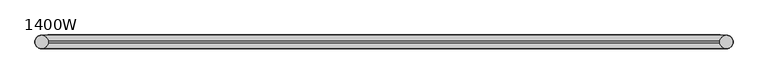
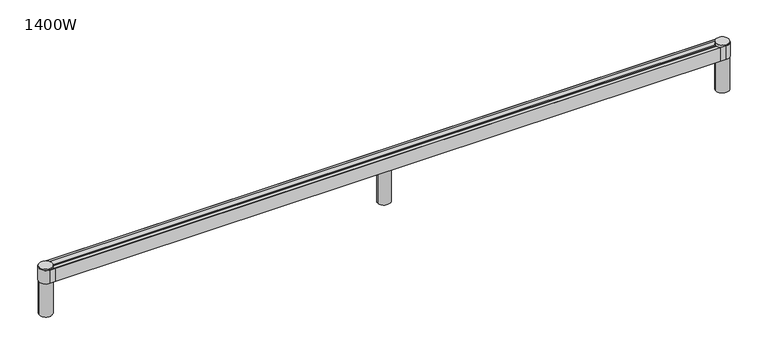
"""IFC4 building model written with IfcOpenShell, lengths in millimetres: furniture geometry, 1400W."""

import ifcopenshell
import ifcopenshell.guid

model = None  # the IFC model being written
_history = None  # IfcOwnerHistory: only IFC2X3 demands one
_inside = {}  # id of a spatial element -> (the spatial element, [elements in it])
_under = {}  # id of a project, library or spatial element -> (it, [spatial elements below it])
_declared = {}  # id of a project -> (the project, [libraries it declares])
_typed = {}  # id of a type object -> (the type object, [elements of that type])
_made_of = {}  # id of a material, layer set ... -> (it, [elements and type objects made of it])


def new_model(schema):
    """Start an empty IFC model of exactly this schema.

    Asked for "IFC4X3", IfcOpenShell would pick the latest addendum, in which some entities
    have other attributes; the version numbers below select the first issue.
    IFC2X3 requires an IfcOwnerHistory on every rooted entity: one is made here for all.
    """
    global model, _history
    if schema == "IFC4X3":
        model = ifcopenshell.file(schema_version=(4, 3, 0, 0))
    else:
        model = ifcopenshell.file(schema=schema)
    _inside.clear()
    _under.clear()
    _declared.clear()
    _typed.clear()
    _made_of.clear()
    _history = None
    if model.schema == "IFC2X3":
        org = make("IfcOrganization", Name="unknown")
        user = make(
            "IfcPersonAndOrganization",
            ThePerson=make("IfcPerson", FamilyName="unknown"),
            TheOrganization=org,
        )
        app = make(
            "IfcApplication",
            ApplicationDeveloper=org,
            Version="unknown",
            ApplicationFullName="unknown",
            ApplicationIdentifier="unknown",
        )
        _history = make(
            "IfcOwnerHistory",
            OwningUser=user,
            OwningApplication=app,
            ChangeAction="ADDED",
            CreationDate=0,
        )
    return model


def make(cls, **values):
    """One entity of the class cls with the attributes given. An attribute that is None is left unset."""
    return model.create_entity(
        cls, **{name: value for name, value in values.items() if value is not None}
    )


def rooted(cls, **values):
    """An entity with a GlobalId (a new one), such as an element, a storey or a relation."""
    return make(cls, GlobalId=ifcopenshell.guid.new(), OwnerHistory=_history, **values)


def si_unit(unit_type, name, prefix=None):
    """IfcSIUnit, for example si_unit("LENGTHUNIT", "METRE", prefix="MILLI")."""
    return make("IfcSIUnit", UnitType=unit_type, Prefix=prefix, Name=name)


def assignment(units):
    """IfcUnitAssignment: the units of a project."""
    return None if units is None else make("IfcUnitAssignment", Units=units)


def point(xyz):
    """IfcCartesianPoint."""
    return None if xyz is None else make("IfcCartesianPoint", Coordinates=xyz)


def direction(xyz):
    """IfcDirection."""
    return None if xyz is None else make("IfcDirection", DirectionRatios=xyz)


def frame(location, z_axis=None, x_axis=None):
    """IfcAxis2Placement3D, a coordinate frame: its origin and axes. An axis left out is left unset."""
    return make(
        "IfcAxis2Placement3D",
        Location=point(location),
        Axis=direction(z_axis),
        RefDirection=direction(x_axis),
    )


def frame_2d(location, x_axis=None):
    """IfcAxis2Placement2D, a coordinate frame in the plane: its origin and x axis."""
    return make(
        "IfcAxis2Placement2D", Location=point(location), RefDirection=direction(x_axis)
    )


def origin():
    """The frame at (0, 0, 0) with its axes left unset."""
    return frame((0.0, 0.0, 0.0))


def place(relative_to, where):
    """IfcLocalPlacement: puts the frame where relative to a parent placement (None: the world)."""
    return make(
        "IfcLocalPlacement", PlacementRelTo=relative_to, RelativePlacement=where
    )


def context(
    kind, dimensions, precision=None, world=None, true_north=None, identifier=None
):
    """IfcGeometricRepresentationContext, for example the 3D "Model" context."""
    return make(
        "IfcGeometricRepresentationContext",
        ContextIdentifier=identifier,
        ContextType=kind,
        CoordinateSpaceDimension=dimensions,
        Precision=precision,
        WorldCoordinateSystem=world,
        TrueNorth=true_north,
    )


def project(units=None, contexts=None):
    """IfcProject with its units and contexts."""
    return rooted(
        "IfcProject",
        Name="project",
        RepresentationContexts=contexts,
        UnitsInContext=assignment(units),
    )


def spatial(cls, under=None, at=None, **own):
    """A site, building, storey or space (cls), placed at a placement, below another one or the project."""
    s = rooted(cls, ObjectPlacement=at, **own)
    if under is not None:
        _under.setdefault(under.id(), (under, []))[1].append(s)
    return s


def polyline(points):
    """IfcPolyline through the points."""
    return make("IfcPolyline", Points=[point(p) for p in points])


def circle_curve(where, radius):
    """IfcCircle in the frame where."""
    return make("IfcCircle", Position=where, Radius=radius)


def trimmed(basis, trim1, trim2, sense, master):
    """IfcTrimmedCurve: the piece of a basis curve between two trims."""
    return make(
        "IfcTrimmedCurve",
        BasisCurve=basis,
        Trim1=trim1,
        Trim2=trim2,
        SenseAgreement=sense,
        MasterRepresentation=master,
    )


def segment(curve, same_sense, transition):
    """IfcCompositeCurveSegment."""
    return make(
        "IfcCompositeCurveSegment",
        Transition=transition,
        SameSense=same_sense,
        ParentCurve=curve,
    )


def composite_curve(segments, self_intersect=None):
    """IfcCompositeCurve: segments joined end to end."""
    return make("IfcCompositeCurve", Segments=segments, SelfIntersect=self_intersect)


def outline(outer, holes=None, kind="AREA"):
    """IfcArbitraryClosedProfileDef: a profile drawn as a closed curve; with holes, ...WithVoids."""
    if holes is None:
        return make("IfcArbitraryClosedProfileDef", ProfileType=kind, OuterCurve=outer)
    return make(
        "IfcArbitraryProfileDefWithVoids",
        ProfileType=kind,
        OuterCurve=outer,
        InnerCurves=holes,
    )


def extrude(swept, where, along, depth):
    """IfcExtrudedAreaSolid: the profile swept, set in the frame where, extruded along a direction by depth."""
    return make(
        "IfcExtrudedAreaSolid",
        SweptArea=swept,
        Position=where,
        ExtrudedDirection=direction(along),
        Depth=depth,
    )


def shape(context_of_items, identifier, shape_type, items):
    """IfcShapeRepresentation: the items that make up one representation, for example the "Body"."""
    return make(
        "IfcShapeRepresentation",
        ContextOfItems=context_of_items,
        RepresentationIdentifier=identifier,
        RepresentationType=shape_type,
        Items=items,
    )


def source(mapping_origin, context_of_items, identifier, shape_type, items):
    """IfcRepresentationMap: a shape defined once, which mapped items show again and again."""
    return make(
        "IfcRepresentationMap",
        MappingOrigin=mapping_origin,
        MappedRepresentation=shape(context_of_items, identifier, shape_type, items),
    )


def transform(
    local_origin,
    x_axis=None,
    y_axis=None,
    z_axis=None,
    scale=None,
    scale2=None,
    scale3=None,
    uniform=True,
):
    """IfcCartesianTransformationOperator3D, or its non-uniform kind. x_axis, y_axis, z_axis: its Axis1, 2, 3."""
    if uniform:
        return make(
            "IfcCartesianTransformationOperator3D",
            Axis1=direction(x_axis),
            Axis2=direction(y_axis),
            LocalOrigin=point(local_origin),
            Scale=scale,
            Axis3=direction(z_axis),
        )
    return make(
        "IfcCartesianTransformationOperator3DnonUniform",
        Axis1=direction(x_axis),
        Axis2=direction(y_axis),
        LocalOrigin=point(local_origin),
        Scale=scale,
        Axis3=direction(z_axis),
        Scale2=scale2,
        Scale3=scale3,
    )


def mapped(mapping_source, mapping_target):
    """IfcMappedItem: shows the shape of a source again, moved by a transform."""
    return make(
        "IfcMappedItem", MappingSource=mapping_source, MappingTarget=mapping_target
    )


def made_of(thing, what):
    """Note that an element or type object is made of a material, layer set ...; save() writes the relation."""
    if what is not None:
        _made_of.setdefault(what.id(), (what, []))[1].append(thing)
    return thing


def element(
    cls,
    number,
    at=None,
    inside=None,
    cuts=None,
    type_object=None,
    material=None,
    context=None,
    identifier="Body",
    shape_type=None,
    held_by="IfcProductDefinitionShape",
    body=None,
    shapes=None,
    **own,
):
    """One element of the class cls, such as IfcWall. Its Tag is "e" and its number.

    at: its placement. inside: the storey or other place that contains it. cuts: it is an
    opening in that element (IfcRelVoidsElement). A single representation is given by context,
    identifier, shape_type and body (its items); several are given by shapes. held_by: the class
    of the entity that holds the representations. save() writes the other relations.
    """
    e = rooted(cls, Tag="e%d" % number, ObjectPlacement=at, **own)
    if body is not None:
        shapes = [shape(context, identifier, shape_type, body)]
    if shapes is not None:
        e.Representation = make(held_by, Representations=shapes)
    if inside is not None:
        _inside.setdefault(inside.id(), (inside, []))[1].append(e)
    if cuts is not None:
        rooted(
            "IfcRelVoidsElement", RelatingBuildingElement=cuts, RelatedOpeningElement=e
        )
    if type_object is not None:
        _typed.setdefault(type_object.id(), (type_object, []))[1].append(e)
    return made_of(e, material)


def aggregate(whole, parts):
    """IfcRelAggregates: a whole, such as a stair, and the parts it consists of."""
    return rooted("IfcRelAggregates", RelatingObject=whole, RelatedObjects=parts)


def save(model, path):
    """Write the relations noted so far, then the file.

    IfcRelAggregates (storeys below a building ...), IfcRelContainedInSpatialStructure (elements
    in a storey), IfcRelDefinesByType, IfcRelAssociatesMaterial and IfcRelDeclares: one each for
    every whole, place, type object, material and project.
    """
    for whole, parts in _under.values():
        aggregate(whole, parts)
    for where, things in _inside.values():
        rooted(
            "IfcRelContainedInSpatialStructure",
            RelatedElements=things,
            RelatingStructure=where,
        )
    for kind, things in _typed.values():
        rooted("IfcRelDefinesByType", RelatedObjects=things, RelatingType=kind)
    for what, things in _made_of.values():
        rooted("IfcRelAssociatesMaterial", RelatedObjects=things, RelatingMaterial=what)
    for by, libraries in _declared.values():
        rooted("IfcRelDeclares", RelatingContext=by, RelatedDefinitions=libraries)
    model.write(path)


def plane_surface(at):
    """IfcPlane: the flat surface through the origin of the frame at, square to its z axis."""
    return make("IfcPlane", Position=at)


def cylinder_surface(at, radius):
    """IfcCylindricalSurface: all points at the distance radius from the z axis of the frame at."""
    return make("IfcCylindricalSurface", Position=at, Radius=radius)


def revolved_surface(curve, axis_point, axis_direction):
    """IfcSurfaceOfRevolution: the curve turned about the line through axis_point along axis_direction."""
    return make(
        "IfcSurfaceOfRevolution",
        SweptCurve=make("IfcArbitraryOpenProfileDef", ProfileType="CURVE", Curve=curve),
        AxisPosition=make("IfcAxis1Placement", Location=point(axis_point), Axis=direction(axis_direction)),
    )


def advanced_brep(points, edges, surfaces, faces):
    """IfcAdvancedBrep: a solid bounded by faces that lie on surfaces and meet in shared edges.

    An edge is (start, end): straight between two places in points (the first is 0);
    or (start, end, curve); or (start, end, curve, False) where it runs against its curve.
    A face is (place in surfaces, loops), or (place, loops, False) where it looks against
    its surface's normal. A loop lists edges by number (the first is 1), with a minus sign
    where the edge is run from its end to its start. The first loop is the outer one.
    """
    corners = [point(p) for p in points]
    vertices = [make("IfcVertexPoint", VertexGeometry=c) for c in corners]
    made = []
    for start, end, *more in edges:
        made.append(
            make(
                "IfcEdgeCurve",
                EdgeStart=vertices[start],
                EdgeEnd=vertices[end],
                EdgeGeometry=more[0] if more else make("IfcPolyline", Points=[corners[start], corners[end]]),
                SameSense=more[1] if len(more) > 1 else True,
            )
        )
    hull = []
    for where, loops, *sense in faces:
        bounds = []
        for j, loop in enumerate(loops):
            ring = [make("IfcOrientedEdge", EdgeElement=made[abs(k) - 1], Orientation=k > 0) for k in loop]
            bounds.append(
                make(
                    "IfcFaceOuterBound" if j == 0 else "IfcFaceBound",
                    Bound=make("IfcEdgeLoop", EdgeList=ring),
                    Orientation=True,
                )
            )
        hull.append(make("IfcAdvancedFace", Bounds=bounds, FaceSurface=surfaces[where], SameSense=sense[0] if sense else True))
    return make("IfcAdvancedBrep", Outer=make("IfcClosedShell", CfsFaces=hull))


def furniture_1400w_4b177995(model_context):
    return source(origin(), model_context, "Body", "SolidModel", [
        extrude(outline(composite_curve([segment(trimmed(circle_curve(frame_2d((772.3405643, 0.0)), 25.0), [point((747.3405643, 0.0))], [point((797.3405643, 0.0))], False, "CARTESIAN"), True, "CONTINUOUS"), segment(trimmed(circle_curve(frame_2d((772.3405643, 0.0)), 25.0), [point((797.3405643, 0.0))], [point((747.3405643, 0.0))], False, "CARTESIAN"), True, "CONTINUOUS")], self_intersect=False)), frame((0.0, 0.0, 695.0456486), z_axis=(0.0, 0.0, 1.0), x_axis=(1.0, 0.0, 0.0)), (0.0, 0.0, 1.0), 137.0259793),
        extrude(outline(composite_curve([segment(trimmed(circle_curve(frame_2d((2088.623866, 0.0)), 25.0), [point((2063.623866, 0.0))], [point((2113.623866, 0.0))], False, "CARTESIAN"), True, "CONTINUOUS"), segment(trimmed(circle_curve(frame_2d((2088.623866, 0.0)), 25.0), [point((2113.623866, 0.0))], [point((2063.623866, 0.0))], False, "CARTESIAN"), True, "CONTINUOUS")], self_intersect=False)), frame((0.0, 0.0, 695.0456486), z_axis=(0.0, 0.0, 1.0), x_axis=(1.0, 0.0, 0.0)), (0.0, 0.0, 1.0), 137.0259793),
        advanced_brep(
        [(2065.0120349, 4.7998351, 876.6499786), (2065.0120349, 8.5996401, 876.6499786), (2065.0120349, 8.5996401, 873.6493624), (2065.0120349, 4.7998351, 871.3997904), (2065.0120349, -4.7997742, 871.3997904), (2065.0120349, -8.6015323, 873.6493624), (2065.0120349, -8.6015323, 876.6499786), (2065.0120349, -4.7997742, 876.6499786), (2065.0120349, -4.7997742, 880.3998224), (2065.0120349, -7.8318513, 880.3998224), (2065.0120349, -7.8318513, 879.1951858), (2065.0120349, -24.8007518, 879.1951858), (2065.0120349, -24.8007518, 832.0710056), (2065.0120349, 24.7998362, 832.0710056), (2065.0120349, 24.7998362, 879.1951858), (2065.0120349, 7.8318513, 879.1951858), (2065.0120349, 7.8318513, 880.3998224), (2065.0120349, 4.7998351, 880.3998224), (-520.2011683, 4.7998351, 876.6499786), (-520.2011683, 4.7998351, 880.3998224), (-520.2011683, 7.8318513, 880.3998224), (-520.2011683, 7.8318513, 879.1951858), (-520.2011683, 24.7998362, 879.1951858), (-520.2011683, 24.7998362, 832.0710056), (-520.2011683, -24.8007518, 832.0710056), (-520.2011683, -24.8007518, 879.1951858), (-520.2011683, -7.8318513, 879.1951858), (-520.2011683, -7.8318513, 880.3998224), (-520.2011683, -4.7997742, 880.3998224), (-520.2011683, -4.7997742, 876.6499786), (-520.2011683, -8.6015323, 876.6499786), (-520.2011683, -8.6015323, 873.6493624), (-520.2011683, -4.7997742, 871.3997904), (-520.2011683, 4.7998351, 871.3997904), (-520.2011683, 8.5996401, 873.6493624), (-520.2011683, 8.5996401, 876.6499786), (-540.7927041, -24.8007518, 880.3998224), (2085.6035707, -24.8007518, 880.3998224), (2085.5963702, 24.7998362, 880.3998224), (-540.7855036, 24.7998362, 880.3998224), (2065.0120349, -27.0355022, 832.0710056), (-520.2011683, -27.0355022, 832.0710056), (-543.9874536, -26.620311, 832.0710056), (-543.9874536, 26.58484, 832.0710056), (-520.2011683, 27.0000312, 832.0710056), (2065.0120349, 27.0000312, 832.0710056), (2088.7983202, 26.58484, 832.0710056), (2088.7983202, -26.620311, 832.0710056), (2088.9355425, -24.8007518, 832.0710056), (2088.9355425, 24.7998362, 832.0710056), (-544.1246759, 24.7998362, 832.0710056), (-544.1246759, -24.8007518, 832.0710056), (2085.6035707, -24.8007518, 879.1951858), (-540.7927041, -24.8007518, 879.1951858), (-544.1246759, -24.8007518, 887.4001865), (2088.9355425, -24.8007518, 887.4001865), (-520.2011683, -27.0355022, 887.4001865), (2065.0120349, -27.0355022, 887.4001865), (2088.7983202, -26.620311, 887.4001865), (2088.7983202, 26.58484, 887.4001865), (2065.0120349, 27.0000312, 887.4001865), (-520.2011683, 27.0000312, 887.4001865), (-543.9874536, 26.58484, 887.4001865), (-543.9874536, -26.620311, 887.4001865), (2088.9355425, 24.7998362, 887.4001865), (-544.1246759, 24.7998362, 887.4001865), (-540.7855036, 24.7998362, 879.1951858), (2085.5963702, 24.7998362, 879.1951858)],
        [
            (0, 1),
            (1, 2),
            (2, 3),
            (3, 4),
            (4, 5),
            (5, 6),
            (6, 7),
            (7, 8),
            (8, 9),
            (9, 10),
            (10, 11),
            (11, 12),
            (12, 13),
            (13, 14),
            (14, 15),
            (15, 16),
            (16, 17),
            (17, 0),
            (18, 19),
            (19, 20),
            (20, 21),
            (21, 22),
            (22, 23),
            (23, 24),
            (24, 25),
            (25, 26),
            (26, 27),
            (27, 28),
            (28, 29),
            (29, 30),
            (30, 31),
            (31, 32),
            (32, 33),
            (33, 34),
            (34, 35),
            (35, 18),
            (0, 18),
            (35, 1),
            (34, 2),
            (33, 3),
            (32, 4),
            (31, 5),
            (30, 6),
            (29, 7),
            (28, 8),
            (27, 36, circle_curve(frame((-543.9427374, 0.0, 880.3998224), z_axis=(0.0, 0.0, -1.0), x_axis=(1.0, 0.0, 0.0)), 25.0)),
            (36, 37),
            (37, 9, circle_curve(frame((2088.753604, 0.0, 880.3998224), z_axis=(0.0, 0.0, -1.0), x_axis=(-1.0, 0.0, 0.0)), 25.0)),
            (19, 17),
            (16, 38, circle_curve(frame((2088.753604, 0.0, 880.3998224), z_axis=(0.0, 0.0, -1.0), x_axis=(-1.0, 0.0, 0.0)), 25.0)),
            (38, 39),
            (39, 20, circle_curve(frame((-543.9427374, 0.0, 880.3998224), z_axis=(0.0, 0.0, -1.0), x_axis=(1.0, 0.0, 0.0)), 25.0)),
            (40, 41),
            (41, 42),
            (42, 43, circle_curve(frame((-543.5231039, -0.0177355, 832.0710056), z_axis=(0.0, 0.0, -1.0), x_axis=(1.0, 0.0, 0.0)), 26.6066278)),
            (43, 44),
            (44, 45),
            (45, 46),
            (46, 47, circle_curve(frame((2088.3339705, -0.0177355, 832.0710056), z_axis=(0.0, 0.0, -1.0), x_axis=(-1.0, 0.0, 0.0)), 26.6066278)),
            (47, 40),
            (12, 48),
            (48, 49, circle_curve(frame((2088.9355425, -0.0004578, 832.0710056), z_axis=(0.0, 0.0, 1.0), x_axis=(-1.0, 0.0, 0.0)), 24.800294)),
            (49, 13),
            (23, 50),
            (50, 51, circle_curve(frame((-544.1246759, -0.0004578, 832.0710056), z_axis=(0.0, 0.0, 1.0), x_axis=(1.0, 0.0, 0.0)), 24.800294)),
            (51, 24),
            (11, 52),
            (52, 37),
            (36, 53),
            (53, 25),
            (51, 54),
            (54, 55),
            (55, 48),
            (56, 57),
            (57, 58),
            (58, 59, circle_curve(frame((2088.3339705, -0.0177355, 887.4001865), z_axis=(0.0, 0.0, 1.0), x_axis=(-1.0, 0.0, 0.0)), 26.6066278)),
            (59, 60),
            (60, 61),
            (61, 62),
            (62, 63, circle_curve(frame((-543.5231039, -0.0177355, 887.4001865), z_axis=(0.0, 0.0, 1.0), x_axis=(1.0, 0.0, 0.0)), 26.6066278)),
            (63, 56),
            (64, 55, circle_curve(frame((2088.9355425, -0.0004578, 887.4001865), z_axis=(0.0, 0.0, -1.0), x_axis=(-1.0, 0.0, 0.0)), 24.800294)),
            (54, 65, circle_curve(frame((-544.1246759, -0.0004578, 887.4001865), z_axis=(0.0, 0.0, -1.0), x_axis=(1.0, 0.0, 0.0)), 24.800294)),
            (65, 64),
            (40, 57),
            (56, 41),
            (44, 61),
            (60, 45),
            (49, 64),
            (65, 50),
            (22, 66),
            (66, 39),
            (38, 67),
            (67, 14),
            (67, 15, circle_curve(frame((2088.753604, 0.0, 879.1951858), z_axis=(0.0, 0.0, 1.0), x_axis=(-1.0, 0.0, 0.0)), 25.0)),
            (10, 52, circle_curve(frame((2088.753604, 0.0, 879.1951858), z_axis=(0.0, 0.0, 1.0), x_axis=(-1.0, 0.0, 0.0)), 25.0)),
            (59, 46),
            (58, 47),
            (43, 62),
            (42, 63),
            (21, 66, circle_curve(frame((-543.9427374, 0.0, 879.1951858), z_axis=(0.0, 0.0, 1.0), x_axis=(1.0, 0.0, 0.0)), 25.0)),
            (53, 26, circle_curve(frame((-543.9427374, 0.0, 879.1951858), z_axis=(0.0, 0.0, 1.0), x_axis=(1.0, 0.0, 0.0)), 25.0)),
        ],
        [
            plane_surface(frame((2065.0120349, 4.7998351, 876.6499786), z_axis=(1.0, 0.0, 0.0), x_axis=(0.0, 1.0, 0.0))),
            plane_surface(frame((-520.2011683, 4.7998351, 876.6499786), z_axis=(-1.0, 0.0, 0.0), x_axis=(0.0, -1.0, 0.0))),
            plane_surface(frame((2065.0120349, 4.7998351, 876.6499786), z_axis=(0.0, 0.0, -1.0), x_axis=(-1.0, 0.0, 0.0))),
            plane_surface(frame((2065.0120349, 8.5996401, 876.6499786), z_axis=(0.0, -1.0, 0.0), x_axis=(-1.0, 0.0, 0.0))),
            plane_surface(frame((2065.0120349, 8.5996401, 873.6493624), z_axis=(0.0, -0.5094396020509875, 0.8605064159331594), x_axis=(-1.0, 0.0, 0.0))),
            plane_surface(frame((2065.0120349, 4.7998351, 871.3997904), z_axis=(0.0, 0.0, 1.0), x_axis=(-1.0, 0.0, 0.0))),
            plane_surface(frame((2065.0120349, -4.7997742, 871.3997904), z_axis=(0.0, 0.5092457736726581, 0.8606211373168428), x_axis=(-1.0, 0.0, 0.0))),
            plane_surface(frame((2065.0120349, -8.6015323, 873.6493624), z_axis=(0.0, 1.0, 0.0), x_axis=(-1.0, 0.0, 0.0))),
            plane_surface(frame((2065.0120349, -8.6015323, 876.6499786), z_axis=(0.0, 0.0, -1.0), x_axis=(-1.0, 0.0, 0.0))),
            plane_surface(frame((2065.0120349, -4.7997742, 876.6499786), z_axis=(0.0, 1.0, 0.0), x_axis=(-1.0, 0.0, 0.0))),
            plane_surface(frame((2065.0120349, -4.7997742, 880.3998224), z_axis=(0.0, 0.0, 1.0), x_axis=(-1.0, 0.0, 0.0))),
            plane_surface(frame((2065.0120349, -27.0355022, 832.0710056), z_axis=(0.0, 0.0, -1.0), x_axis=(-1.0, 0.0, 0.0))),
            plane_surface(frame((2065.0120349, 4.7998351, 880.3998224), z_axis=(0.0, -1.0, 0.0), x_axis=(-1.0, 0.0, 0.0))),
            plane_surface(frame((2065.0120349, -24.8007518, 880.3998224), z_axis=(0.0, 1.0, 0.0), x_axis=(-1.0, 0.0, 0.0))),
            plane_surface(frame((2065.0120349, -24.8007518, 887.4001865), z_axis=(0.0, 0.0, 1.0), x_axis=(-1.0, 0.0, 0.0))),
            plane_surface(frame((2065.0120349, -27.0355022, 887.4001865), z_axis=(0.0, -1.0, 0.0), x_axis=(-1.0, 0.0, 0.0))),
            plane_surface(frame((2065.0120349, 27.0000312, 832.0710056), z_axis=(0.0, 1.0, 0.0), x_axis=(-1.0, 0.0, 0.0))),
            plane_surface(frame((2065.0120349, 24.7998362, 887.4001865), z_axis=(0.0, -1.0, 0.0), x_axis=(-1.0, 0.0, 0.0))),
            plane_surface(frame((2063.753604, 0.0, 879.1951858), z_axis=(0.0, 0.0, -1.0), x_axis=(0.0, -1.0, 0.0))),
            revolved_surface(polyline([(2063.753604, 0.0, 879.1951858), (2063.753604, 0.0, 880.3998224)]), (2088.753604, 0.0, 879.1951858), (0.0, 0.0, -1.0)),
            revolved_surface(polyline([(2063.753604, 0.0, 879.1951858), (2063.753604, 0.0, 880.3998224)]), (2088.753604, 0.0, 0.0), (0.0, 0.0, -1.0)),
            plane_surface(frame((2088.7983202, 26.58484, 887.4001865), z_axis=(0.017452406437287096, 0.9998476951563913, 0.0), x_axis=(0.0, 0.0, -1.0))),
            cylinder_surface(frame((2088.3339705, -0.0177355, 832.0710056), z_axis=(0.0, 0.0, 1.0), x_axis=(-1.0, 0.0, 0.0)), 26.6066278),
            plane_surface(frame((2065.0120349, -27.0355022, 887.4001865), z_axis=(0.01745240643727681, -0.9998476951563914, 0.0), x_axis=(0.0, 0.0, -1.0))),
            revolved_surface(polyline([(2064.1352484999998, -0.0004578, 832.0710056), (2064.1352484999998, -0.0004578, 887.4001865)]), (2088.9355425, -0.0004578, 832.0710056), (0.0, 0.0, -1.0)),
            plane_surface(frame((-520.2011683, 27.0000312, 887.4001865), z_axis=(-0.017452406437282117, 0.9998476951563913, 0.0), x_axis=(0.0, 0.0, -1.0))),
            cylinder_surface(frame((-543.5231039, -0.0177355, 832.0710056), z_axis=(0.0, 0.0, 1.0), x_axis=(1.0, 0.0, 0.0)), 26.6066278),
            plane_surface(frame((-543.9874536, -26.620311, 887.4001865), z_axis=(-0.01745240643728656, -0.9998476951563913, 0.0), x_axis=(0.0, 0.0, -1.0))),
            revolved_surface(polyline([(-519.3243819, -0.0004578, 832.0710056), (-519.3243819, -0.0004578, 887.4001865)]), (-544.1246759, -0.0004578, 832.0710056), (0.0, 0.0, -1.0)),
            plane_surface(frame((-520.2011683, 24.7998362, 879.1951858), z_axis=(0.0, 0.0, -1.0), x_axis=(0.0, -1.0, 0.0))),
            revolved_surface(polyline([(-518.9427374, 0.0, 879.1951858), (-518.9427374, 0.0, 880.3998224)]), (-543.9427374, 0.0, 879.1951858), (0.0, 0.0, -1.0)),
            revolved_surface(polyline([(-518.9427374, 0.0, 879.1951858), (-518.9427374, 0.0, 880.3998224)]), (-543.9427374, 0.0, 0.0), (0.0, 0.0, -1.0)),
        ],
        [
            (0, [[1, 2, 3, 4, 5, 6, 7, 8, 9, 10, 11, 12, 13, 14, 15, 16, 17, 18]]),
            (1, [[19, 20, 21, 22, 23, 24, 25, 26, 27, 28, 29, 30, 31, 32, 33, 34, 35, 36]]),
            (2, [[-1, 37, -36, 38]]),
            (3, [[-2, -38, -35, 39]]),
            (4, [[-3, -39, -34, 40]]),
            (5, [[-4, -40, -33, 41]]),
            (6, [[-5, -41, -32, 42]]),
            (7, [[-6, -42, -31, 43]]),
            (8, [[-7, -43, -30, 44]]),
            (9, [[-8, -44, -29, 45]]),
            (10, [[-45, -28, 46, 47, 48, -9]]),
            (10, [[49, -17, 50, 51, 52, -20]]),
            (11, [[53, 54, 55, 56, 57, 58, 59, 60], [61, 62, 63, -13], [64, 65, 66, -24]]),
            (12, [[-18, -49, -19, -37]]),
            (13, [[-61, -12, 67, 68, -47, 69, 70, -25, -66, 71, 72, 73]]),
            (14, [[74, 75, 76, 77, 78, 79, 80, 81], [82, -72, 83, 84]]),
            (15, [[-53, 85, -74, 86]]),
            (16, [[-57, 87, -78, 88]]),
            (17, [[-63, 89, -84, 90, -64, -23, 91, 92, -51, 93, 94, -14]]),
            (18, [[95, -15, -94]]),
            (18, [[96, -67, -11]]),
            (19, [[-50, -16, -95, -93]]),
            (20, [[-48, -68, -96, -10]]),
            (21, [[-77, 97, -58, -88]]),
            (22, [[-76, 98, -59, -97]]),
            (23, [[-75, -85, -60, -98]]),
            (24, [[-82, -89, -62, -73]]),
            (25, [[-79, -87, -56, 99]]),
            (26, [[-80, -99, -55, 100]]),
            (27, [[-81, -100, -54, -86]]),
            (28, [[-83, -71, -65, -90]]),
            (29, [[101, -91, -22]]),
            (29, [[102, -26, -70]]),
            (30, [[-52, -92, -101, -21]]),
            (31, [[-46, -27, -102, -69]]),
        ],
    ),
        extrude(outline(composite_curve([segment(trimmed(circle_curve(frame_2d((2088.753604, 0.0)), 25.0), [point((2113.753604, 0.0))], [point((2063.753604, 0.0))], False, "CARTESIAN"), True, "CONTINUOUS"), segment(trimmed(circle_curve(frame_2d((2088.753604, 0.0)), 25.0), [point((2063.753604, 0.0))], [point((2113.753604, 0.0))], False, "CARTESIAN"), True, "CONTINUOUS")], self_intersect=False)), frame((0.0, 0.0, 880.4002504), z_axis=(0.0, 0.0, 1.0), x_axis=(1.0, 0.0, 0.0)), (0.0, 0.0, 1.0), 10.5124817),
        extrude(outline(composite_curve([segment(trimmed(circle_curve(frame_2d((-543.9427374, 0.0)), 25.0), [point((-568.9427374, 0.0))], [point((-518.9427374, 0.0))], False, "CARTESIAN"), True, "CONTINUOUS"), segment(trimmed(circle_curve(frame_2d((-543.9427374, 0.0)), 25.0), [point((-518.9427374, 0.0))], [point((-568.9427374, 0.0))], False, "CARTESIAN"), True, "CONTINUOUS")], self_intersect=False)), frame((0.0, 0.0, 880.4002504), z_axis=(0.0, 0.0, 1.0), x_axis=(1.0, 0.0, 0.0)), (0.0, 0.0, 1.0), 10.5124817),
        extrude(outline(composite_curve([segment(trimmed(circle_curve(frame_2d((-543.9427374, 0.0)), 25.0), [point((-568.9427374, 0.0))], [point((-518.9427374, 0.0))], False, "CARTESIAN"), True, "CONTINUOUS"), segment(trimmed(circle_curve(frame_2d((-543.9427374, 0.0)), 25.0), [point((-518.9427374, 0.0))], [point((-568.9427374, 0.0))], False, "CARTESIAN"), True, "CONTINUOUS")], self_intersect=False)), frame((0.0, 0.0, 695.0456486), z_axis=(0.0, 0.0, 1.0), x_axis=(1.0, 0.0, 0.0)), (0.0, 0.0, 1.0), 137.0259793),
    ])


if __name__ == "__main__":
    model = new_model("IFC4")
    model_context = context("Model", 3, world=origin())
    ifc_project = project(units=[si_unit("LENGTHUNIT", "METRE", prefix="MILLI")], contexts=[model_context])
    site = spatial("IfcSite", under=ifc_project)
    building = spatial("IfcBuilding", under=site)
    placement = place(None, origin())
    furniture_1400w_shape = furniture_1400w_4b177995(model_context)
    element("IfcFurniture", 1, ObjectType="1400W", at=placement, inside=building, context=model_context, shape_type="MappedRepresentation", body=[
        mapped(furniture_1400w_shape, transform((0.0, 0.0, 0.0), x_axis=(1.0, 0.0, 0.0), y_axis=(0.0, 1.0, 0.0), z_axis=(0.0, 0.0, 1.0))),
    ])
    save(model, "model.ifc")
